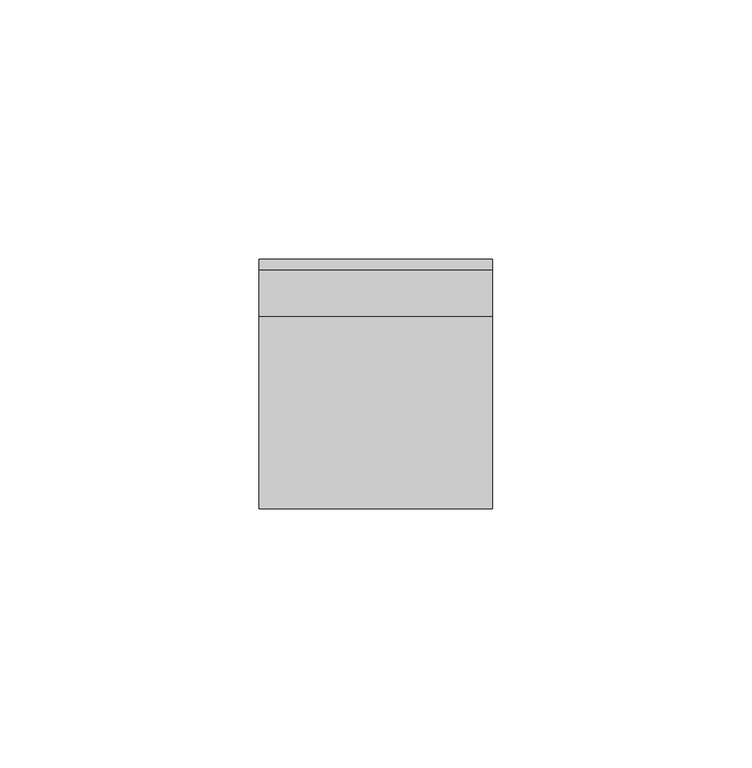
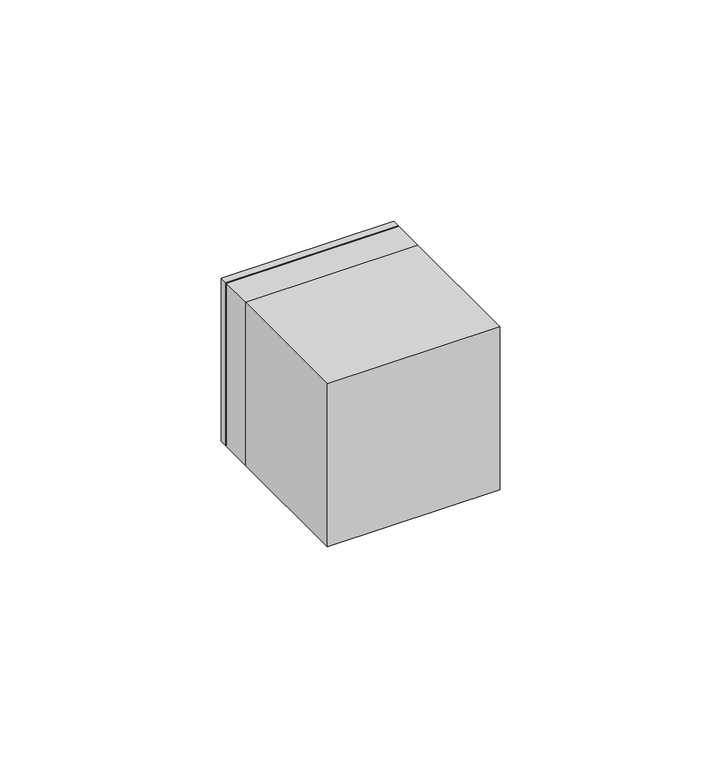
"""IFC4 building model written with IfcOpenShell, lengths in millimetres: proxy geometry."""

import ifcopenshell
import ifcopenshell.guid

model = None  # the IFC model being written
_history = None  # IfcOwnerHistory: only IFC2X3 demands one
_inside = {}  # id of a spatial element -> (the spatial element, [elements in it])
_under = {}  # id of a project, library or spatial element -> (it, [spatial elements below it])
_declared = {}  # id of a project -> (the project, [libraries it declares])
_typed = {}  # id of a type object -> (the type object, [elements of that type])
_made_of = {}  # id of a material, layer set ... -> (it, [elements and type objects made of it])


def new_model(schema):
    """Start an empty IFC model of exactly this schema.

    Asked for "IFC4X3", IfcOpenShell would pick the latest addendum, in which some entities
    have other attributes; the version numbers below select the first issue.
    IFC2X3 requires an IfcOwnerHistory on every rooted entity: one is made here for all.
    """
    global model, _history
    if schema == "IFC4X3":
        model = ifcopenshell.file(schema_version=(4, 3, 0, 0))
    else:
        model = ifcopenshell.file(schema=schema)
    _inside.clear()
    _under.clear()
    _declared.clear()
    _typed.clear()
    _made_of.clear()
    _history = None
    if model.schema == "IFC2X3":
        org = make("IfcOrganization", Name="unknown")
        user = make(
            "IfcPersonAndOrganization",
            ThePerson=make("IfcPerson", FamilyName="unknown"),
            TheOrganization=org,
        )
        app = make(
            "IfcApplication",
            ApplicationDeveloper=org,
            Version="unknown",
            ApplicationFullName="unknown",
            ApplicationIdentifier="unknown",
        )
        _history = make(
            "IfcOwnerHistory",
            OwningUser=user,
            OwningApplication=app,
            ChangeAction="ADDED",
            CreationDate=0,
        )
    return model


def make(cls, **values):
    """One entity of the class cls with the attributes given. An attribute that is None is left unset."""
    return model.create_entity(
        cls, **{name: value for name, value in values.items() if value is not None}
    )


def rooted(cls, **values):
    """An entity with a GlobalId (a new one), such as an element, a storey or a relation."""
    return make(cls, GlobalId=ifcopenshell.guid.new(), OwnerHistory=_history, **values)


def si_unit(unit_type, name, prefix=None):
    """IfcSIUnit, for example si_unit("LENGTHUNIT", "METRE", prefix="MILLI")."""
    return make("IfcSIUnit", UnitType=unit_type, Prefix=prefix, Name=name)


def assignment(units):
    """IfcUnitAssignment: the units of a project."""
    return None if units is None else make("IfcUnitAssignment", Units=units)


def point(xyz):
    """IfcCartesianPoint."""
    return None if xyz is None else make("IfcCartesianPoint", Coordinates=xyz)


def direction(xyz):
    """IfcDirection."""
    return None if xyz is None else make("IfcDirection", DirectionRatios=xyz)


def frame(location, z_axis=None, x_axis=None):
    """IfcAxis2Placement3D, a coordinate frame: its origin and axes. An axis left out is left unset."""
    return make(
        "IfcAxis2Placement3D",
        Location=point(location),
        Axis=direction(z_axis),
        RefDirection=direction(x_axis),
    )


def frame_2d(location, x_axis=None):
    """IfcAxis2Placement2D, a coordinate frame in the plane: its origin and x axis."""
    return make(
        "IfcAxis2Placement2D", Location=point(location), RefDirection=direction(x_axis)
    )


def origin():
    """The frame at (0, 0, 0) with its axes left unset."""
    return frame((0.0, 0.0, 0.0))


def origin_2d():
    """The frame at (0, 0) in the plane with its x axis left unset."""
    return frame_2d((0.0, 0.0))


def place(relative_to, where):
    """IfcLocalPlacement: puts the frame where relative to a parent placement (None: the world)."""
    return make(
        "IfcLocalPlacement", PlacementRelTo=relative_to, RelativePlacement=where
    )


def context(
    kind, dimensions, precision=None, world=None, true_north=None, identifier=None
):
    """IfcGeometricRepresentationContext, for example the 3D "Model" context."""
    return make(
        "IfcGeometricRepresentationContext",
        ContextIdentifier=identifier,
        ContextType=kind,
        CoordinateSpaceDimension=dimensions,
        Precision=precision,
        WorldCoordinateSystem=world,
        TrueNorth=true_north,
    )


def project(units=None, contexts=None):
    """IfcProject with its units and contexts."""
    return rooted(
        "IfcProject",
        Name="project",
        RepresentationContexts=contexts,
        UnitsInContext=assignment(units),
    )


def spatial(cls, under=None, at=None, **own):
    """A site, building, storey or space (cls), placed at a placement, below another one or the project."""
    s = rooted(cls, ObjectPlacement=at, **own)
    if under is not None:
        _under.setdefault(under.id(), (under, []))[1].append(s)
    return s


def polyline(points):
    """IfcPolyline through the points."""
    return make("IfcPolyline", Points=[point(p) for p in points])


def circle_curve(where, radius):
    """IfcCircle in the frame where."""
    return make("IfcCircle", Position=where, Radius=radius)


def trimmed(basis, trim1, trim2, sense, master):
    """IfcTrimmedCurve: the piece of a basis curve between two trims."""
    return make(
        "IfcTrimmedCurve",
        BasisCurve=basis,
        Trim1=trim1,
        Trim2=trim2,
        SenseAgreement=sense,
        MasterRepresentation=master,
    )


def segment(curve, same_sense, transition):
    """IfcCompositeCurveSegment."""
    return make(
        "IfcCompositeCurveSegment",
        Transition=transition,
        SameSense=same_sense,
        ParentCurve=curve,
    )


def composite_curve(segments, self_intersect=None):
    """IfcCompositeCurve: segments joined end to end."""
    return make("IfcCompositeCurve", Segments=segments, SelfIntersect=self_intersect)


def outline(outer, holes=None, kind="AREA"):
    """IfcArbitraryClosedProfileDef: a profile drawn as a closed curve; with holes, ...WithVoids."""
    if holes is None:
        return make("IfcArbitraryClosedProfileDef", ProfileType=kind, OuterCurve=outer)
    return make(
        "IfcArbitraryProfileDefWithVoids",
        ProfileType=kind,
        OuterCurve=outer,
        InnerCurves=holes,
    )


def extrude(swept, where, along, depth):
    """IfcExtrudedAreaSolid: the profile swept, set in the frame where, extruded along a direction by depth."""
    return make(
        "IfcExtrudedAreaSolid",
        SweptArea=swept,
        Position=where,
        ExtrudedDirection=direction(along),
        Depth=depth,
    )


def shape(context_of_items, identifier, shape_type, items):
    """IfcShapeRepresentation: the items that make up one representation, for example the "Body"."""
    return make(
        "IfcShapeRepresentation",
        ContextOfItems=context_of_items,
        RepresentationIdentifier=identifier,
        RepresentationType=shape_type,
        Items=items,
    )


def source(mapping_origin, context_of_items, identifier, shape_type, items):
    """IfcRepresentationMap: a shape defined once, which mapped items show again and again."""
    return make(
        "IfcRepresentationMap",
        MappingOrigin=mapping_origin,
        MappedRepresentation=shape(context_of_items, identifier, shape_type, items),
    )


def transform(
    local_origin,
    x_axis=None,
    y_axis=None,
    z_axis=None,
    scale=None,
    scale2=None,
    scale3=None,
    uniform=True,
):
    """IfcCartesianTransformationOperator3D, or its non-uniform kind. x_axis, y_axis, z_axis: its Axis1, 2, 3."""
    if uniform:
        return make(
            "IfcCartesianTransformationOperator3D",
            Axis1=direction(x_axis),
            Axis2=direction(y_axis),
            LocalOrigin=point(local_origin),
            Scale=scale,
            Axis3=direction(z_axis),
        )
    return make(
        "IfcCartesianTransformationOperator3DnonUniform",
        Axis1=direction(x_axis),
        Axis2=direction(y_axis),
        LocalOrigin=point(local_origin),
        Scale=scale,
        Axis3=direction(z_axis),
        Scale2=scale2,
        Scale3=scale3,
    )


def mapped(mapping_source, mapping_target):
    """IfcMappedItem: shows the shape of a source again, moved by a transform."""
    return make(
        "IfcMappedItem", MappingSource=mapping_source, MappingTarget=mapping_target
    )


def made_of(thing, what):
    """Note that an element or type object is made of a material, layer set ...; save() writes the relation."""
    if what is not None:
        _made_of.setdefault(what.id(), (what, []))[1].append(thing)
    return thing


def element(
    cls,
    number,
    at=None,
    inside=None,
    cuts=None,
    type_object=None,
    material=None,
    context=None,
    identifier="Body",
    shape_type=None,
    held_by="IfcProductDefinitionShape",
    body=None,
    shapes=None,
    **own,
):
    """One element of the class cls, such as IfcWall. Its Tag is "e" and its number.

    at: its placement. inside: the storey or other place that contains it. cuts: it is an
    opening in that element (IfcRelVoidsElement). A single representation is given by context,
    identifier, shape_type and body (its items); several are given by shapes. held_by: the class
    of the entity that holds the representations. save() writes the other relations.
    """
    e = rooted(cls, Tag="e%d" % number, ObjectPlacement=at, **own)
    if body is not None:
        shapes = [shape(context, identifier, shape_type, body)]
    if shapes is not None:
        e.Representation = make(held_by, Representations=shapes)
    if inside is not None:
        _inside.setdefault(inside.id(), (inside, []))[1].append(e)
    if cuts is not None:
        rooted(
            "IfcRelVoidsElement", RelatingBuildingElement=cuts, RelatedOpeningElement=e
        )
    if type_object is not None:
        _typed.setdefault(type_object.id(), (type_object, []))[1].append(e)
    return made_of(e, material)


def aggregate(whole, parts):
    """IfcRelAggregates: a whole, such as a stair, and the parts it consists of."""
    return rooted("IfcRelAggregates", RelatingObject=whole, RelatedObjects=parts)


def save(model, path):
    """Write the relations noted so far, then the file.

    IfcRelAggregates (storeys below a building ...), IfcRelContainedInSpatialStructure (elements
    in a storey), IfcRelDefinesByType, IfcRelAssociatesMaterial and IfcRelDeclares: one each for
    every whole, place, type object, material and project.
    """
    for whole, parts in _under.values():
        aggregate(whole, parts)
    for where, things in _inside.values():
        rooted(
            "IfcRelContainedInSpatialStructure",
            RelatedElements=things,
            RelatingStructure=where,
        )
    for kind, things in _typed.values():
        rooted("IfcRelDefinesByType", RelatedObjects=things, RelatingType=kind)
    for what, things in _made_of.values():
        rooted("IfcRelAssociatesMaterial", RelatedObjects=things, RelatingMaterial=what)
    for by, libraries in _declared.values():
        rooted("IfcRelDeclares", RelatingContext=by, RelatedDefinitions=libraries)
    model.write(path)


def plane_surface(at):
    """IfcPlane: the flat surface through the origin of the frame at, square to its z axis."""
    return make("IfcPlane", Position=at)


def revolved_surface(curve, axis_point, axis_direction):
    """IfcSurfaceOfRevolution: the curve turned about the line through axis_point along axis_direction."""
    return make(
        "IfcSurfaceOfRevolution",
        SweptCurve=make("IfcArbitraryOpenProfileDef", ProfileType="CURVE", Curve=curve),
        AxisPosition=make("IfcAxis1Placement", Location=point(axis_point), Axis=direction(axis_direction)),
    )


def advanced_brep(points, edges, surfaces, faces):
    """IfcAdvancedBrep: a solid bounded by faces that lie on surfaces and meet in shared edges.

    An edge is (start, end): straight between two places in points (the first is 0);
    or (start, end, curve); or (start, end, curve, False) where it runs against its curve.
    A face is (place in surfaces, loops), or (place, loops, False) where it looks against
    its surface's normal. A loop lists edges by number (the first is 1), with a minus sign
    where the edge is run from its end to its start. The first loop is the outer one.
    """
    corners = [point(p) for p in points]
    vertices = [make("IfcVertexPoint", VertexGeometry=c) for c in corners]
    made = []
    for start, end, *more in edges:
        made.append(
            make(
                "IfcEdgeCurve",
                EdgeStart=vertices[start],
                EdgeEnd=vertices[end],
                EdgeGeometry=more[0] if more else make("IfcPolyline", Points=[corners[start], corners[end]]),
                SameSense=more[1] if len(more) > 1 else True,
            )
        )
    hull = []
    for where, loops, *sense in faces:
        bounds = []
        for j, loop in enumerate(loops):
            ring = [make("IfcOrientedEdge", EdgeElement=made[abs(k) - 1], Orientation=k > 0) for k in loop]
            bounds.append(
                make(
                    "IfcFaceOuterBound" if j == 0 else "IfcFaceBound",
                    Bound=make("IfcEdgeLoop", EdgeList=ring),
                    Orientation=True,
                )
            )
        hull.append(make("IfcAdvancedFace", Bounds=bounds, FaceSurface=surfaces[where], SameSense=sense[0] if sense else True))
    return make("IfcAdvancedBrep", Outer=make("IfcClosedShell", CfsFaces=hull))


def electrical_fixtures_11432511(model_context):
    return source(origin(), model_context, "Body", "SolidModel", [
        extrude(outline(polyline([(22.5, -37.0), (-22.5, -37.0), (-22.5, 0.0), (22.5, 0.0), (22.5, -37.0)])), frame((0.0, 0.0, -22.5), z_axis=(0.0, 0.0, 1.0), x_axis=(1.0, 0.0, 0.0)), (0.0, 0.0, 1.0), 45.0),
        extrude(outline(polyline([(22.5, 9.0), (-22.5, 9.0), (-22.5, 11.0), (22.5, 11.0), (22.5, 9.0)])), frame((0.0, 0.0, -22.5), z_axis=(0.0, 0.0, 1.0), x_axis=(1.0, 0.0, 0.0)), (0.0, 0.0, 1.0), 45.0),
        extrude(outline(composite_curve([segment(polyline([(-16.0, -1.5), (-17.9373911, -1.5)]), True, "CONTINUOUS"), segment(trimmed(circle_curve(origin_2d(), 18.0), [point((-17.9373911, -1.5))], [point((-17.9373911, 1.5))], False, "CARTESIAN"), True, "CONTINUOUS"), segment(polyline([(-17.9373911, 1.5), (-16.0, 1.5), (-16.0, -1.5)]), True, "CONTINUOUS")], self_intersect=False)), frame((0.0, 1.0, 0.0), z_axis=(0.0, 1.0, 0.0), x_axis=(0.0, 0.0, 1.0)), (0.0, 0.0, 1.0), 7.0),
        extrude(outline(composite_curve([segment(polyline([(16.0, -1.5), (16.0, 1.5), (17.9373911, 1.5)]), True, "CONTINUOUS"), segment(trimmed(circle_curve(origin_2d(), 18.0), [point((17.9373911, 1.5))], [point((17.9373911, -1.5))], False, "CARTESIAN"), True, "CONTINUOUS"), segment(polyline([(17.9373911, -1.5), (16.0, -1.5)]), True, "CONTINUOUS")], self_intersect=False)), frame((0.0, 1.0, 0.0), z_axis=(0.0, 1.0, 0.0), x_axis=(0.0, 0.0, 1.0)), (0.0, 0.0, 1.0), 7.0),
        extrude(outline(composite_curve([segment(polyline([(8.2462113, 16.0), (2.0, 16.0), (2.0, 17.8885438)]), True, "CONTINUOUS"), segment(trimmed(circle_curve(origin_2d(), 18.0), [point((2.0, 17.8885438))], [point((8.2462113, 16.0))], False, "CARTESIAN"), True, "CONTINUOUS")], self_intersect=False)), frame((0.0, 1.0, 0.0), z_axis=(0.0, 1.0, 0.0), x_axis=(0.0, 0.0, 1.0)), (0.0, 0.0, 1.0), 7.0),
        extrude(outline(composite_curve([segment(trimmed(circle_curve(origin_2d(), 18.0), [point((-8.2462113, 16.0))], [point((-2.0, 17.8885438))], False, "CARTESIAN"), True, "CONTINUOUS"), segment(polyline([(-2.0, 17.8885438), (-2.0, 16.0), (-8.2462113, 16.0)]), True, "CONTINUOUS")], self_intersect=False)), frame((0.0, 1.0, 0.0), z_axis=(0.0, 1.0, 0.0), x_axis=(0.0, 0.0, 1.0)), (0.0, 0.0, 1.0), 7.0),
        extrude(outline(composite_curve([segment(polyline([(-8.2462113, -16.0), (-2.0, -16.0), (-2.0, -17.8885438)]), True, "CONTINUOUS"), segment(trimmed(circle_curve(origin_2d(), 18.0), [point((-2.0, -17.8885438))], [point((-8.2462113, -16.0))], False, "CARTESIAN"), True, "CONTINUOUS")], self_intersect=False)), frame((0.0, 1.0, 0.0), z_axis=(0.0, 1.0, 0.0), x_axis=(0.0, 0.0, 1.0)), (0.0, 0.0, 1.0), 7.0),
        extrude(outline(composite_curve([segment(trimmed(circle_curve(origin_2d(), 18.0), [point((8.2462113, -16.0))], [point((2.0, -17.8885438))], False, "CARTESIAN"), True, "CONTINUOUS"), segment(polyline([(2.0, -17.8885438), (2.0, -16.0), (8.2462113, -16.0)]), True, "CONTINUOUS")], self_intersect=False)), frame((0.0, 1.0, 0.0), z_axis=(0.0, 1.0, 0.0), x_axis=(0.0, 0.0, 1.0)), (0.0, 0.0, 1.0), 7.0),
        advanced_brep(
        [(22.5, 9.0, 22.5), (22.5, 9.0, -22.5), (-22.5, 9.0, -22.5), (-22.5, 9.0, 22.5), (-18.0, 9.0, 0.0), (18.0, 9.0, 0.0), (22.5, 0.0, 22.5), (-22.5, 0.0, 22.5), (-22.5, 0.0, -22.5), (22.5, 0.0, -22.5), (-7.0, 0.0, 0.0), (-12.0, 0.0, 0.0), (12.0, 0.0, 0.0), (7.0, 0.0, 0.0), (8.9731851, 0.0, 17.8120198), (12.5935718, 0.0, 21.4324065), (21.4324065, 0.0, 12.5935718), (17.8120198, 0.0, 8.9731851), (-17.8120198, 0.0, 8.9731851), (-21.4324065, 0.0, 12.5935718), (-12.5935718, 0.0, 21.4324065), (-8.9731851, 0.0, 17.8120198), (11.5329116, 0.0, 18.9575328), (18.9575328, 0.0, 11.5329116), (20.018193, 0.0, 12.5935718), (12.5935718, 0.0, 20.018193), (-18.9575328, 0.0, 11.5329116), (-11.5329116, 0.0, 18.9575328), (-12.5935718, 0.0, 20.018193), (-20.018193, 0.0, 12.5935718), (-7.0, 1.0, 0.0), (-12.0, 1.0, 0.0), (12.0, 1.0, 0.0), (7.0, 1.0, 0.0), (-18.0, 1.0, 0.0), (18.0, 1.0, 0.0), (8.9731851, 1.0, 17.8120198), (12.5935718, 1.0, 21.4324065), (17.8120198, 1.0, 8.9731851), (21.4324065, 1.0, 12.5935718), (11.5329116, 1.0, 18.9575328), (18.9575328, 1.0, 11.5329116), (12.5935718, 1.0, 20.018193), (20.018193, 1.0, 12.5935718), (-17.8120198, 1.0, 8.9731851), (-21.4324065, 1.0, 12.5935718), (-8.9731851, 1.0, 17.8120198), (-12.5935718, 1.0, 21.4324065), (-18.9575328, 1.0, 11.5329116), (-11.5329116, 1.0, 18.9575328), (-20.018193, 1.0, 12.5935718), (-12.5935718, 1.0, 20.018193)],
        [
            (0, 1),
            (1, 2),
            (2, 3),
            (3, 0),
            (4, 5, circle_curve(frame((0.0, 9.0, 0.0), z_axis=(0.0, -1.0, 0.0), x_axis=(1.0, 0.0, 0.0)), 18.0)),
            (5, 4, circle_curve(frame((0.0, 9.0, 0.0), z_axis=(0.0, -1.0, 0.0), x_axis=(1.0, 0.0, 0.0)), 18.0)),
            (6, 7),
            (7, 8),
            (8, 9),
            (9, 6),
            (10, 11, circle_curve(frame((-9.5, 0.0, 0.0), z_axis=(0.0, 1.0, 0.0), x_axis=(1.0, 0.0, 0.0)), 2.5)),
            (11, 10, circle_curve(frame((-9.5, 0.0, 0.0), z_axis=(0.0, 1.0, 0.0), x_axis=(1.0, 0.0, 0.0)), 2.5)),
            (12, 13, circle_curve(frame((9.5, 0.0, 0.0), z_axis=(0.0, 1.0, 0.0), x_axis=(1.0, 0.0, 0.0)), 2.5)),
            (13, 12, circle_curve(frame((9.5, 0.0, 0.0), z_axis=(0.0, 1.0, 0.0), x_axis=(1.0, 0.0, 0.0)), 2.5)),
            (14, 15),
            (15, 16),
            (16, 17),
            (17, 14),
            (18, 19),
            (19, 20),
            (20, 21),
            (21, 18),
            (22, 23),
            (23, 24),
            (24, 25),
            (25, 22),
            (26, 27),
            (27, 28),
            (28, 29),
            (29, 26),
            (3, 7),
            (6, 0),
            (2, 8),
            (1, 9),
            (10, 30),
            (30, 31, circle_curve(frame((-9.5, 1.0, 0.0), z_axis=(0.0, 1.0, 0.0), x_axis=(1.0, 0.0, 0.0)), 2.5)),
            (31, 11),
            (31, 30, circle_curve(frame((-9.5, 1.0, 0.0), z_axis=(0.0, 1.0, 0.0), x_axis=(1.0, 0.0, 0.0)), 2.5)),
            (12, 32),
            (32, 33, circle_curve(frame((9.5, 1.0, 0.0), z_axis=(0.0, 1.0, 0.0), x_axis=(1.0, 0.0, 0.0)), 2.5)),
            (33, 13),
            (33, 32, circle_curve(frame((9.5, 1.0, 0.0), z_axis=(0.0, 1.0, 0.0), x_axis=(1.0, 0.0, 0.0)), 2.5)),
            (34, 35, circle_curve(frame((0.0, 1.0, 0.0), z_axis=(0.0, 1.0, 0.0), x_axis=(1.0, 0.0, 0.0)), 18.0)),
            (35, 34, circle_curve(frame((0.0, 1.0, 0.0), z_axis=(0.0, 1.0, 0.0), x_axis=(1.0, 0.0, 0.0)), 18.0)),
            (35, 5),
            (4, 34),
            (36, 37),
            (37, 15),
            (14, 36),
            (38, 36),
            (17, 38),
            (39, 38),
            (16, 39),
            (37, 39),
            (40, 41),
            (41, 23),
            (22, 40),
            (42, 40),
            (25, 42),
            (43, 42),
            (24, 43),
            (41, 43),
            (44, 45),
            (45, 19),
            (18, 44),
            (46, 44),
            (21, 46),
            (47, 46),
            (20, 47),
            (45, 47),
            (48, 49),
            (49, 27),
            (26, 48),
            (50, 48),
            (29, 50),
            (51, 50),
            (28, 51),
            (49, 51),
        ],
        [
            plane_surface(frame((-39.0, 9.0, 22.5), z_axis=(0.0, 1.0, 0.0), x_axis=(1.0, 0.0, 0.0))),
            plane_surface(frame((-39.0, 0.0, 22.5), z_axis=(0.0, -1.0, 0.0), x_axis=(-1.0, 0.0, 0.0))),
            plane_surface(frame((22.5, 0.0, 22.5), z_axis=(0.0, 0.0, 1.0), x_axis=(0.0, 1.0, 0.0))),
            plane_surface(frame((-22.5, 0.0, 22.5), z_axis=(-1.0, 0.0, 0.0), x_axis=(0.0, 1.0, 0.0))),
            plane_surface(frame((-22.5, 0.0, -22.5), z_axis=(0.0, 0.0, -1.0), x_axis=(0.0, 1.0, 0.0))),
            plane_surface(frame((22.5, 0.0, -22.5), z_axis=(1.0, 0.0, 0.0), x_axis=(0.0, 1.0, 0.0))),
            revolved_surface(polyline([(-7.0, 0.0, 0.0), (-7.0, 1.0, 0.0)]), (-9.5, 1.0, 0.0), (0.0, -1.0, 0.0)),
            revolved_surface(polyline([(12.0, 0.0, 0.0), (12.0, 1.0, 0.0)]), (9.5, 0.0, 0.0), (0.0, -1.0, 0.0)),
            plane_surface(frame((18.0, 1.0, 0.0), z_axis=(0.0, 1.0, 0.0), x_axis=(0.0, 0.0, 1.0))),
            revolved_surface(polyline([(18.0, 1.0, 0.0), (18.0, 9.0, 0.0)]), (0.0, 9.0, 0.0), (0.0, -1.0, 0.0)),
            plane_surface(frame((12.5935718, 0.0, 21.4324065), z_axis=(0.7071067811865481, 0.0, -0.7071067811865469), x_axis=(0.0, 1.0, 0.0))),
            plane_surface(frame((8.9731851, 0.0, 17.8120198), z_axis=(0.707106781186547, 0.0, 0.7071067811865481), x_axis=(0.0, 1.0, 0.0))),
            plane_surface(frame((17.8120198, 0.0, 8.9731851), z_axis=(-0.707106781186549, 0.0, 0.7071067811865461), x_axis=(0.0, 1.0, 0.0))),
            plane_surface(frame((21.4324065, 0.0, 12.5935718), z_axis=(-0.7071067811865469, 0.0, -0.7071067811865482), x_axis=(0.0, 1.0, 0.0))),
            plane_surface(frame((18.9575328, 0.0, 11.5329116), z_axis=(-0.7071067811865468, 0.0, -0.7071067811865482), x_axis=(0.0, 1.0, 0.0))),
            plane_surface(frame((11.5329116, 0.0, 18.9575328), z_axis=(-0.7071067811865503, 0.0, 0.7071067811865447), x_axis=(0.0, 1.0, 0.0))),
            plane_surface(frame((12.5935718, 0.0, 20.018193), z_axis=(0.7071067811865468, 0.0, 0.7071067811865482), x_axis=(0.0, 1.0, 0.0))),
            plane_surface(frame((20.018193, 0.0, 12.5935718), z_axis=(0.7071067811865489, 0.0, -0.7071067811865461), x_axis=(0.0, 1.0, 0.0))),
            plane_surface(frame((-21.4324065, 0.0, 12.5935718), z_axis=(0.7071067811865465, 0.0, 0.7071067811865486), x_axis=(0.0, 1.0, 0.0))),
            plane_surface(frame((-17.8120198, 0.0, 8.9731851), z_axis=(-0.7071067811865488, 0.0, 0.7071067811865464), x_axis=(0.0, 1.0, 0.0))),
            plane_surface(frame((-8.9731851, 0.0, 17.8120198), z_axis=(-0.707106781186546, 0.0, -0.7071067811865491), x_axis=(0.0, 1.0, 0.0))),
            plane_surface(frame((-12.5935718, 0.0, 21.4324065), z_axis=(0.707106781186549, 0.0, -0.7071067811865461), x_axis=(0.0, 1.0, 0.0))),
            plane_surface(frame((-11.5329116, 0.0, 18.9575328), z_axis=(0.7071067811865488, 0.0, -0.7071067811865462), x_axis=(0.0, 1.0, 0.0))),
            plane_surface(frame((-18.9575328, 0.0, 11.5329116), z_axis=(-0.7071067811865455, 0.0, -0.7071067811865497), x_axis=(0.0, 1.0, 0.0))),
            plane_surface(frame((-20.018193, 0.0, 12.5935718), z_axis=(-0.7071067811865489, 0.0, 0.7071067811865462), x_axis=(0.0, 1.0, 0.0))),
            plane_surface(frame((-12.5935718, 0.0, 20.018193), z_axis=(0.7071067811865469, 0.0, 0.7071067811865482), x_axis=(0.0, 1.0, 0.0))),
            plane_surface(frame((12.5935718, 1.0, 21.4324065), z_axis=(0.0, -1.0, 0.0), x_axis=(0.7071067811865469, 0.0, 0.7071067811865481))),
            plane_surface(frame((-21.4324065, 1.0, 12.5935718), z_axis=(0.0, -1.0, 0.0), x_axis=(-0.7071067811865486, 0.0, 0.7071067811865465))),
        ],
        [
            (0, [[1, 2, 3, 4], [5, 6]]),
            (1, [[7, 8, 9, 10], [11, 12], [13, 14], [15, 16, 17, 18], [19, 20, 21, 22]]),
            (1, [[23, 24, 25, 26]]),
            (1, [[27, 28, 29, 30]]),
            (2, [[-4, 31, -7, 32]]),
            (3, [[-3, 33, -8, -31]]),
            (4, [[-2, 34, -9, -33]]),
            (5, [[-1, -32, -10, -34]]),
            (6, [[35, 36, 37, -11]]),
            (6, [[-35, -12, -37, 38]]),
            (7, [[39, 40, 41, -13]]),
            (7, [[-39, -14, -41, 42]]),
            (8, [[43, 44], [-36, -38], [-40, -42]]),
            (9, [[-44, 45, -5, 46]]),
            (9, [[-43, -46, -6, -45]]),
            (10, [[47, 48, -15, 49]]),
            (11, [[50, -49, -18, 51]]),
            (12, [[52, -51, -17, 53]]),
            (13, [[54, -53, -16, -48]]),
            (14, [[55, 56, -23, 57]]),
            (15, [[58, -57, -26, 59]]),
            (16, [[60, -59, -25, 61]]),
            (17, [[62, -61, -24, -56]]),
            (18, [[63, 64, -19, 65]]),
            (19, [[66, -65, -22, 67]]),
            (20, [[68, -67, -21, 69]]),
            (21, [[70, -69, -20, -64]]),
            (22, [[71, 72, -27, 73]]),
            (23, [[74, -73, -30, 75]]),
            (24, [[76, -75, -29, 77]]),
            (25, [[78, -77, -28, -72]]),
            (26, [[-47, -50, -52, -54], [-55, -58, -60, -62]]),
            (27, [[-63, -66, -68, -70], [-71, -74, -76, -78]]),
        ],
    ),
    ])


if __name__ == "__main__":
    model = new_model("IFC4")
    model_context = context("Model", 3, world=origin())
    ifc_project = project(units=[si_unit("LENGTHUNIT", "METRE", prefix="MILLI")], contexts=[model_context])
    site = spatial("IfcSite", under=ifc_project)
    building = spatial("IfcBuilding", under=site)
    placement = place(None, origin())
    electrical_fixtures_shape = electrical_fixtures_11432511(model_context)
    element("IfcBuildingElementProxy", 1, Name="Electrical Fixtures", at=placement, inside=building, context=model_context, shape_type="MappedRepresentation", body=[
        mapped(electrical_fixtures_shape, transform((0.0, 0.0, 0.0), x_axis=(1.0, 0.0, 0.0), y_axis=(0.0, 1.0, 0.0), z_axis=(0.0, 0.0, 1.0))),
    ])
    save(model, "model.ifc")
